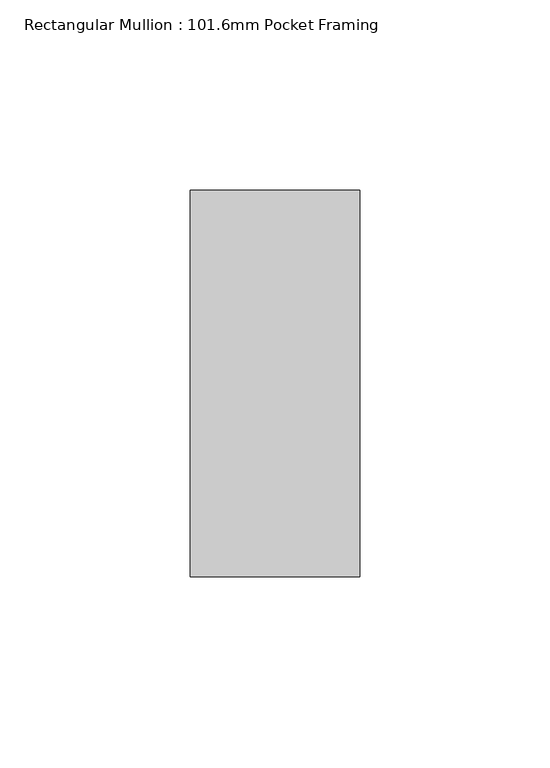
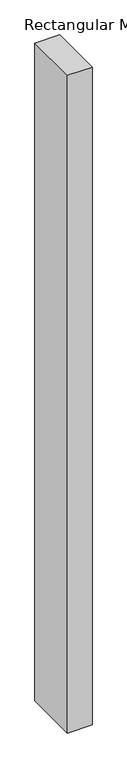
"""IFC4 building model written with IfcOpenShell, lengths in millimetres: member geometry, Rectangular Mullion : 101.6mm Pocket Framing."""

import ifcopenshell
import ifcopenshell.guid

model = None  # the IFC model being written
_history = None  # IfcOwnerHistory: only IFC2X3 demands one
_inside = {}  # id of a spatial element -> (the spatial element, [elements in it])
_under = {}  # id of a project, library or spatial element -> (it, [spatial elements below it])
_declared = {}  # id of a project -> (the project, [libraries it declares])
_typed = {}  # id of a type object -> (the type object, [elements of that type])
_made_of = {}  # id of a material, layer set ... -> (it, [elements and type objects made of it])


def new_model(schema):
    """Start an empty IFC model of exactly this schema.

    Asked for "IFC4X3", IfcOpenShell would pick the latest addendum, in which some entities
    have other attributes; the version numbers below select the first issue.
    IFC2X3 requires an IfcOwnerHistory on every rooted entity: one is made here for all.
    """
    global model, _history
    if schema == "IFC4X3":
        model = ifcopenshell.file(schema_version=(4, 3, 0, 0))
    else:
        model = ifcopenshell.file(schema=schema)
    _inside.clear()
    _under.clear()
    _declared.clear()
    _typed.clear()
    _made_of.clear()
    _history = None
    if model.schema == "IFC2X3":
        org = make("IfcOrganization", Name="unknown")
        user = make(
            "IfcPersonAndOrganization",
            ThePerson=make("IfcPerson", FamilyName="unknown"),
            TheOrganization=org,
        )
        app = make(
            "IfcApplication",
            ApplicationDeveloper=org,
            Version="unknown",
            ApplicationFullName="unknown",
            ApplicationIdentifier="unknown",
        )
        _history = make(
            "IfcOwnerHistory",
            OwningUser=user,
            OwningApplication=app,
            ChangeAction="ADDED",
            CreationDate=0,
        )
    return model


def make(cls, **values):
    """One entity of the class cls with the attributes given. An attribute that is None is left unset."""
    return model.create_entity(
        cls, **{name: value for name, value in values.items() if value is not None}
    )


def rooted(cls, **values):
    """An entity with a GlobalId (a new one), such as an element, a storey or a relation."""
    return make(cls, GlobalId=ifcopenshell.guid.new(), OwnerHistory=_history, **values)


def si_unit(unit_type, name, prefix=None):
    """IfcSIUnit, for example si_unit("LENGTHUNIT", "METRE", prefix="MILLI")."""
    return make("IfcSIUnit", UnitType=unit_type, Prefix=prefix, Name=name)


def assignment(units):
    """IfcUnitAssignment: the units of a project."""
    return None if units is None else make("IfcUnitAssignment", Units=units)


def point(xyz):
    """IfcCartesianPoint."""
    return None if xyz is None else make("IfcCartesianPoint", Coordinates=xyz)


def direction(xyz):
    """IfcDirection."""
    return None if xyz is None else make("IfcDirection", DirectionRatios=xyz)


def frame(location, z_axis=None, x_axis=None):
    """IfcAxis2Placement3D, a coordinate frame: its origin and axes. An axis left out is left unset."""
    return make(
        "IfcAxis2Placement3D",
        Location=point(location),
        Axis=direction(z_axis),
        RefDirection=direction(x_axis),
    )


def origin():
    """The frame at (0, 0, 0) with its axes left unset."""
    return frame((0.0, 0.0, 0.0))


def place(relative_to, where):
    """IfcLocalPlacement: puts the frame where relative to a parent placement (None: the world)."""
    return make(
        "IfcLocalPlacement", PlacementRelTo=relative_to, RelativePlacement=where
    )


def context(
    kind, dimensions, precision=None, world=None, true_north=None, identifier=None
):
    """IfcGeometricRepresentationContext, for example the 3D "Model" context."""
    return make(
        "IfcGeometricRepresentationContext",
        ContextIdentifier=identifier,
        ContextType=kind,
        CoordinateSpaceDimension=dimensions,
        Precision=precision,
        WorldCoordinateSystem=world,
        TrueNorth=true_north,
    )


def project(units=None, contexts=None):
    """IfcProject with its units and contexts."""
    return rooted(
        "IfcProject",
        Name="project",
        RepresentationContexts=contexts,
        UnitsInContext=assignment(units),
    )


def spatial(cls, under=None, at=None, **own):
    """A site, building, storey or space (cls), placed at a placement, below another one or the project."""
    s = rooted(cls, ObjectPlacement=at, **own)
    if under is not None:
        _under.setdefault(under.id(), (under, []))[1].append(s)
    return s


def polyline(points):
    """IfcPolyline through the points."""
    return make("IfcPolyline", Points=[point(p) for p in points])


def outline(outer, holes=None, kind="AREA"):
    """IfcArbitraryClosedProfileDef: a profile drawn as a closed curve; with holes, ...WithVoids."""
    if holes is None:
        return make("IfcArbitraryClosedProfileDef", ProfileType=kind, OuterCurve=outer)
    return make(
        "IfcArbitraryProfileDefWithVoids",
        ProfileType=kind,
        OuterCurve=outer,
        InnerCurves=holes,
    )


def extrude(swept, where, along, depth):
    """IfcExtrudedAreaSolid: the profile swept, set in the frame where, extruded along a direction by depth."""
    return make(
        "IfcExtrudedAreaSolid",
        SweptArea=swept,
        Position=where,
        ExtrudedDirection=direction(along),
        Depth=depth,
    )


def shape(context_of_items, identifier, shape_type, items):
    """IfcShapeRepresentation: the items that make up one representation, for example the "Body"."""
    return make(
        "IfcShapeRepresentation",
        ContextOfItems=context_of_items,
        RepresentationIdentifier=identifier,
        RepresentationType=shape_type,
        Items=items,
    )


def source(mapping_origin, context_of_items, identifier, shape_type, items):
    """IfcRepresentationMap: a shape defined once, which mapped items show again and again."""
    return make(
        "IfcRepresentationMap",
        MappingOrigin=mapping_origin,
        MappedRepresentation=shape(context_of_items, identifier, shape_type, items),
    )


def transform(
    local_origin,
    x_axis=None,
    y_axis=None,
    z_axis=None,
    scale=None,
    scale2=None,
    scale3=None,
    uniform=True,
):
    """IfcCartesianTransformationOperator3D, or its non-uniform kind. x_axis, y_axis, z_axis: its Axis1, 2, 3."""
    if uniform:
        return make(
            "IfcCartesianTransformationOperator3D",
            Axis1=direction(x_axis),
            Axis2=direction(y_axis),
            LocalOrigin=point(local_origin),
            Scale=scale,
            Axis3=direction(z_axis),
        )
    return make(
        "IfcCartesianTransformationOperator3DnonUniform",
        Axis1=direction(x_axis),
        Axis2=direction(y_axis),
        LocalOrigin=point(local_origin),
        Scale=scale,
        Axis3=direction(z_axis),
        Scale2=scale2,
        Scale3=scale3,
    )


def mapped(mapping_source, mapping_target):
    """IfcMappedItem: shows the shape of a source again, moved by a transform."""
    return make(
        "IfcMappedItem", MappingSource=mapping_source, MappingTarget=mapping_target
    )


def made_of(thing, what):
    """Note that an element or type object is made of a material, layer set ...; save() writes the relation."""
    if what is not None:
        _made_of.setdefault(what.id(), (what, []))[1].append(thing)
    return thing


def element(
    cls,
    number,
    at=None,
    inside=None,
    cuts=None,
    type_object=None,
    material=None,
    context=None,
    identifier="Body",
    shape_type=None,
    held_by="IfcProductDefinitionShape",
    body=None,
    shapes=None,
    **own,
):
    """One element of the class cls, such as IfcWall. Its Tag is "e" and its number.

    at: its placement. inside: the storey or other place that contains it. cuts: it is an
    opening in that element (IfcRelVoidsElement). A single representation is given by context,
    identifier, shape_type and body (its items); several are given by shapes. held_by: the class
    of the entity that holds the representations. save() writes the other relations.
    """
    e = rooted(cls, Tag="e%d" % number, ObjectPlacement=at, **own)
    if body is not None:
        shapes = [shape(context, identifier, shape_type, body)]
    if shapes is not None:
        e.Representation = make(held_by, Representations=shapes)
    if inside is not None:
        _inside.setdefault(inside.id(), (inside, []))[1].append(e)
    if cuts is not None:
        rooted(
            "IfcRelVoidsElement", RelatingBuildingElement=cuts, RelatedOpeningElement=e
        )
    if type_object is not None:
        _typed.setdefault(type_object.id(), (type_object, []))[1].append(e)
    return made_of(e, material)


def aggregate(whole, parts):
    """IfcRelAggregates: a whole, such as a stair, and the parts it consists of."""
    return rooted("IfcRelAggregates", RelatingObject=whole, RelatedObjects=parts)


def save(model, path):
    """Write the relations noted so far, then the file.

    IfcRelAggregates (storeys below a building ...), IfcRelContainedInSpatialStructure (elements
    in a storey), IfcRelDefinesByType, IfcRelAssociatesMaterial and IfcRelDeclares: one each for
    every whole, place, type object, material and project.
    """
    for whole, parts in _under.values():
        aggregate(whole, parts)
    for where, things in _inside.values():
        rooted(
            "IfcRelContainedInSpatialStructure",
            RelatedElements=things,
            RelatingStructure=where,
        )
    for kind, things in _typed.values():
        rooted("IfcRelDefinesByType", RelatedObjects=things, RelatingType=kind)
    for what, things in _made_of.values():
        rooted("IfcRelAssociatesMaterial", RelatedObjects=things, RelatingMaterial=what)
    for by, libraries in _declared.values():
        rooted("IfcRelDeclares", RelatingContext=by, RelatedDefinitions=libraries)
    model.write(path)


def rectangular_mullion_101_6mm_pocket_framing_c648c660(model_context):
    return source(origin(), model_context, "Body", "SweptSolid", [
        extrude(outline(polyline([(0.0, 50.8), (0.0, -50.8), (-44.5, -50.8), (-44.5, 50.8), (0.0, 50.8)])), frame((0.0, 0.0, -1255.5), z_axis=(0.0, 0.0, 1.0), x_axis=(1.0, 0.0, 0.0)), (0.0, 0.0, 1.0), 1255.5),
    ])


if __name__ == "__main__":
    model = new_model("IFC4")
    model_context = context("Model", 3, world=origin())
    ifc_project = project(units=[si_unit("LENGTHUNIT", "METRE", prefix="MILLI")], contexts=[model_context])
    site = spatial("IfcSite", under=ifc_project)
    building = spatial("IfcBuilding", under=site)
    placement = place(None, origin())
    rectangular_mullion_101_6mm_pocket_framing_shape = rectangular_mullion_101_6mm_pocket_framing_c648c660(model_context)
    element("IfcMember", 1, ObjectType="Rectangular Mullion : 101.6mm Pocket Framing", at=placement, inside=building, context=model_context, shape_type="MappedRepresentation", body=[
        mapped(rectangular_mullion_101_6mm_pocket_framing_shape, transform((0.0, 0.0, 0.0), x_axis=(1.0, 0.0, 0.0), y_axis=(0.0, 1.0, 0.0), z_axis=(0.0, 0.0, 1.0))),
    ])
    save(model, "model.ifc")
